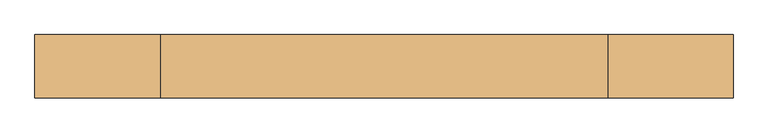
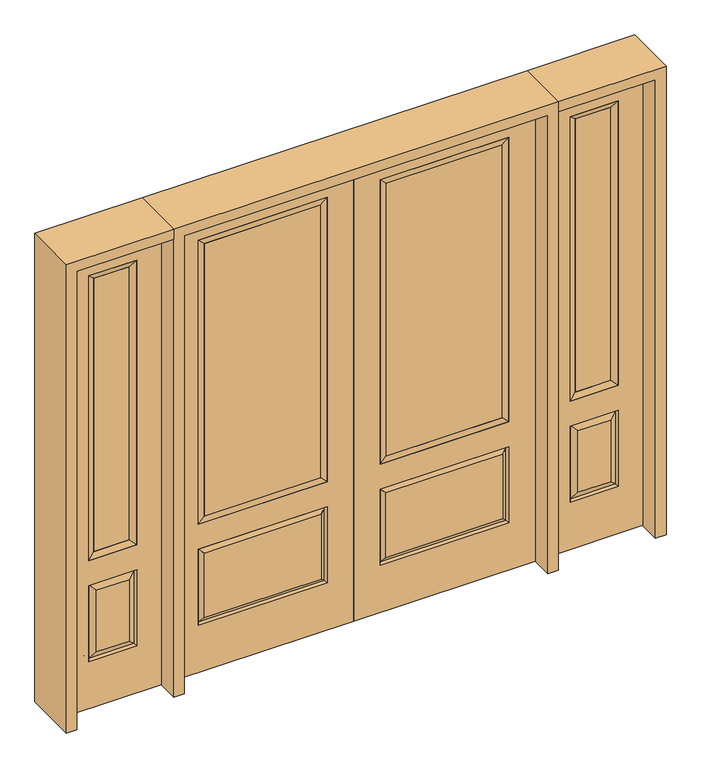
"""IFC4 building model written with IfcOpenShell, lengths in millimetres: door geometry."""

from ifc_helpers import new_model, si_unit, frame, origin, place, context, project, spatial, polyline, outline, extrude, faceted_brep, source, transform, mapped, element, save


def door_a2a04e36(model_context):
    return source(origin(), model_context, "Body", "SolidModel", [
        faceted_brep([(643.7661499, -12.7912373, 216.6588501), (626.26875, -22.225, 234.15625), (135.73125, -22.225, 234.15625), (118.2338501, -12.7912373, 216.6588501), (111.125, -22.225, 209.55), (650.875, -22.225, 209.55), (650.875, -22.225, 546.1), (643.7661499, -12.7912373, 538.9911499), (0.0, -22.225, 2032.0), (0.0, -22.225, 0.0), (762.0, -22.225, 0.0), (762.0, -22.225, 2032.0), (111.125, -22.225, 546.1), (111.125, -22.225, 1917.7), (650.875, -22.225, 1917.7), (650.875, -22.225, 657.098), (111.125, -22.225, 657.098), (626.26875, -22.225, 521.49375), (135.73125, -22.225, 521.49375), (118.2338501, -12.7912373, 538.9911499), (762.0, 22.225, 0.0), (762.0, 22.225, 2032.0), (0.0, 22.225, 0.0), (0.0, 22.225, 2032.0), (111.125, 22.225, 657.098), (111.125, 22.225, 1917.7), (650.875, 22.225, 657.098), (650.875, 22.225, 1917.7), (135.73125, 22.225, 234.15625), (135.73125, 22.225, 521.49375), (626.26875, 22.225, 521.49375), (626.26875, 22.225, 234.15625), (650.875, 22.225, 209.55), (650.875, 22.225, 546.1), (111.125, 22.225, 546.1), (111.125, 22.225, 209.55), (118.2338501, 12.7912373, 216.6588501), (643.7661499, 12.7912373, 216.6588501), (118.2338501, 12.7912373, 538.9911499), (643.7661499, 12.7912373, 538.9911499)], [[[0, 1, 2, 3]], [[3, 4, 5, 0]], [[5, 6, 7, 0]], [[8, 9, 10, 11], [4, 12, 6, 5], [13, 14, 15, 16]], [[1, 17, 18, 2]], [[3, 19, 12, 4]], [[2, 18, 19, 3]], [[0, 7, 17, 1]], [[6, 12, 19, 7]], [[7, 19, 18, 17]], [[10, 20, 21, 11]], [[9, 22, 20, 10]], [[8, 23, 22, 9]], [[16, 24, 25, 13]], [[15, 26, 24, 16]], [[14, 27, 26, 15]], [[28, 29, 30, 31]], [[23, 21, 20, 22], [25, 24, 26, 27], [32, 33, 34, 35]], [[32, 35, 36, 37]], [[35, 34, 38, 36]], [[39, 38, 34, 33]], [[37, 39, 33, 32]], [[36, 28, 31, 37]], [[31, 30, 39, 37]], [[30, 29, 38, 39]], [[36, 38, 29, 28]], [[11, 21, 23, 8]], [[13, 25, 27, 14]]]),
        faceted_brep([(650.875, -22.225, 1917.7), (650.875, -22.225, 657.098), (650.875, 22.225, 657.098), (650.875, 22.225, 1917.7), (111.125, -22.225, 657.098), (111.125, 22.225, 657.098), (136.525, 5.08, 682.498), (625.475, 5.08, 682.498), (111.125, -22.225, 1917.7), (111.125, 22.225, 1917.7), (625.475, -20.32, 682.498), (136.525, -20.32, 682.498), (625.475, -20.32, 1892.3), (136.525, -20.32, 1892.3), (625.475, 5.08, 1892.3), (136.525, 5.08, 1892.3)], [[[0, 1, 2, 3]], [[1, 4, 5, 2]], [[2, 5, 6, 7]], [[4, 8, 9, 5]], [[10, 11, 4, 1]], [[12, 10, 1, 0]], [[11, 13, 8, 4]], [[7, 6, 11, 10]], [[14, 7, 10, 12]], [[6, 15, 13, 11]], [[3, 2, 7, 14]], [[5, 9, 15, 6]], [[8, 0, 3, 9]], [[13, 12, 0, 8]], [[15, 14, 12, 13]], [[9, 3, 14, 15]]]),
        extrude(outline(polyline([(136.525, -20.32), (136.525, 5.08), (625.475, 5.08), (625.475, -20.32), (136.525, -20.32)])), frame((0.0, 0.0, 682.498), z_axis=(0.0, 0.0, 1.0), x_axis=(1.0, 0.0, 0.0)), (0.0, 0.0, 1.0), 1209.802),
        faceted_brep([(806.45, -22.225, 0.0), (1212.85, -22.225, 0.0), (1212.85, -22.225, 2032.0), (806.45, -22.225, 2032.0), (1109.98, -22.225, 1919.224), (1109.98, -22.225, 657.098), (909.32, -22.225, 657.098), (909.32, -22.225, 1919.224), (1109.98, -22.225, 209.55), (909.32, -22.225, 209.55), (909.32, -22.225, 546.1), (1109.98, -22.225, 546.1), (941.0351001, -22.225, 241.2651001), (1078.2648999, -22.225, 241.2651001), (1078.2648999, -22.225, 514.3848999), (941.0351001, -22.225, 514.3848999), (806.45, 22.225, 0.0), (806.45, 22.225, 2032.0), (1212.85, 22.225, 2032.0), (1212.85, 22.225, 0.0), (1109.98, 22.225, 1919.224), (909.32, 22.225, 1919.224), (909.32, 22.225, 657.098), (1109.98, 22.225, 657.098), (909.32, 22.225, 209.55), (1109.98, 22.225, 209.55), (1109.98, 22.225, 546.1), (909.32, 22.225, 546.1), (1078.2648999, 22.225, 241.2651001), (941.0351001, 22.225, 241.2651001), (941.0351001, 22.225, 514.3848999), (1078.2648999, 22.225, 514.3848999), (1102.8711499, 12.7912373, 216.6588501), (916.4288501, 12.7912373, 216.6588501), (916.4288501, 12.7912373, 538.9911499), (1102.8711499, 12.7912373, 538.9911499), (916.4288501, -12.7912373, 216.6588501), (1102.8711499, -12.7912373, 216.6588501), (916.4288501, -12.7912373, 538.9911499), (1102.8711499, -12.7912373, 538.9911499)], [[[0, 1, 2, 3], [4, 5, 6, 7], [8, 9, 10, 11]], [[12, 13, 14, 15]], [[16, 17, 18, 19], [20, 21, 22, 23], [24, 25, 26, 27]], [[28, 29, 30, 31]], [[1, 0, 16, 19]], [[2, 1, 19, 18]], [[3, 2, 18, 17]], [[0, 3, 17, 16]], [[5, 4, 20, 23]], [[6, 5, 23, 22]], [[7, 6, 22, 21]], [[4, 7, 21, 20]], [[32, 33, 29, 28]], [[33, 32, 25, 24]], [[29, 33, 34, 30]], [[33, 24, 27, 34]], [[30, 34, 35, 31]], [[34, 27, 26, 35]], [[32, 28, 31, 35]], [[25, 32, 35, 26]], [[12, 36, 37, 13]], [[37, 36, 9, 8]], [[36, 12, 15, 38]], [[9, 36, 38, 10]], [[38, 15, 14, 39]], [[10, 38, 39, 11]], [[13, 37, 39, 14]], [[37, 8, 11, 39]]]),
        faceted_brep([(909.32, 22.225, 1919.224), (909.32, -22.225, 1919.224), (1109.98, -22.225, 1919.224), (1109.98, 22.225, 1919.224), (934.72, 12.7, 1893.824), (1084.58, 12.7, 1893.824), (934.72, -12.7, 1893.824), (1084.58, -12.7, 1893.824), (1109.98, -22.225, 657.098), (1109.98, 22.225, 657.098), (1084.58, 12.7, 682.498), (1084.58, -12.7, 682.498), (909.32, -22.225, 657.098), (909.32, 22.225, 657.098), (934.72, 12.7, 682.498), (934.72, -12.7, 682.498)], [[[0, 1, 2, 3]], [[4, 0, 3, 5]], [[6, 4, 5, 7]], [[1, 6, 7, 2]], [[3, 2, 8, 9]], [[5, 3, 9, 10]], [[7, 5, 10, 11]], [[2, 7, 11, 8]], [[9, 8, 12, 13]], [[10, 9, 13, 14]], [[11, 10, 14, 15]], [[8, 11, 15, 12]], [[13, 12, 1, 0]], [[14, 13, 0, 4]], [[15, 14, 4, 6]], [[12, 15, 6, 1]]]),
        extrude(outline(polyline([(1084.58, -12.7), (934.72, -12.7), (934.72, 12.7), (1084.58, 12.7), (1084.58, -12.7)])), frame((0.0, 0.0, 682.498), z_axis=(0.0, 0.0, 1.0), x_axis=(1.0, 0.0, 0.0)), (0.0, 0.0, 1.0), 1211.326),
        faceted_brep([(-1212.85, -22.225, 0.0), (-806.45, -22.225, 0.0), (-806.45, -22.225, 2032.0), (-1212.85, -22.225, 2032.0), (-909.32, -22.225, 1919.224), (-909.32, -22.225, 657.098), (-1109.98, -22.225, 657.098), (-1109.98, -22.225, 1919.224), (-909.32, -22.225, 209.55), (-1109.98, -22.225, 209.55), (-1109.98, -22.225, 546.1), (-909.32, -22.225, 546.1), (-1078.2648999, -22.225, 241.2651001), (-941.0351001, -22.225, 241.2651001), (-941.0351001, -22.225, 514.3848999), (-1078.2648999, -22.225, 514.3848999), (-1212.85, 22.225, 0.0), (-1212.85, 22.225, 2032.0), (-806.45, 22.225, 2032.0), (-806.45, 22.225, 0.0), (-909.32, 22.225, 1919.224), (-1109.98, 22.225, 1919.224), (-1109.98, 22.225, 657.098), (-909.32, 22.225, 657.098), (-1109.98, 22.225, 209.55), (-909.32, 22.225, 209.55), (-909.32, 22.225, 546.1), (-1109.98, 22.225, 546.1), (-941.0351001, 22.225, 241.2651001), (-1078.2648999, 22.225, 241.2651001), (-1078.2648999, 22.225, 514.3848999), (-941.0351001, 22.225, 514.3848999), (-916.4288501, 12.7912373, 216.6588501), (-1102.8711499, 12.7912373, 216.6588501), (-1102.8711499, 12.7912373, 538.9911499), (-916.4288501, 12.7912373, 538.9911499), (-1102.8711499, -12.7912373, 216.6588501), (-916.4288501, -12.7912373, 216.6588501), (-1102.8711499, -12.7912373, 538.9911499), (-916.4288501, -12.7912373, 538.9911499)], [[[0, 1, 2, 3], [4, 5, 6, 7], [8, 9, 10, 11]], [[12, 13, 14, 15]], [[16, 17, 18, 19], [20, 21, 22, 23], [24, 25, 26, 27]], [[28, 29, 30, 31]], [[1, 0, 16, 19]], [[2, 1, 19, 18]], [[3, 2, 18, 17]], [[0, 3, 17, 16]], [[5, 4, 20, 23]], [[6, 5, 23, 22]], [[7, 6, 22, 21]], [[4, 7, 21, 20]], [[32, 33, 29, 28]], [[33, 32, 25, 24]], [[29, 33, 34, 30]], [[33, 24, 27, 34]], [[30, 34, 35, 31]], [[34, 27, 26, 35]], [[32, 28, 31, 35]], [[25, 32, 35, 26]], [[12, 36, 37, 13]], [[37, 36, 9, 8]], [[36, 12, 15, 38]], [[9, 36, 38, 10]], [[38, 15, 14, 39]], [[10, 38, 39, 11]], [[13, 37, 39, 14]], [[37, 8, 11, 39]]]),
        faceted_brep([(-1109.98, 22.225, 1919.224), (-1109.98, -22.225, 1919.224), (-909.32, -22.225, 1919.224), (-909.32, 22.225, 1919.224), (-1084.58, 12.7, 1893.824), (-934.72, 12.7, 1893.824), (-1084.58, -12.7, 1893.824), (-934.72, -12.7, 1893.824), (-909.32, -22.225, 657.098), (-909.32, 22.225, 657.098), (-934.72, 12.7, 682.498), (-934.72, -12.7, 682.498), (-1109.98, -22.225, 657.098), (-1109.98, 22.225, 657.098), (-1084.58, 12.7, 682.498), (-1084.58, -12.7, 682.498)], [[[0, 1, 2, 3]], [[4, 0, 3, 5]], [[6, 4, 5, 7]], [[1, 6, 7, 2]], [[3, 2, 8, 9]], [[5, 3, 9, 10]], [[7, 5, 10, 11]], [[2, 7, 11, 8]], [[9, 8, 12, 13]], [[10, 9, 13, 14]], [[11, 10, 14, 15]], [[8, 11, 15, 12]], [[13, 12, 1, 0]], [[14, 13, 0, 4]], [[15, 14, 4, 6]], [[12, 15, 6, 1]]]),
        extrude(outline(polyline([(-934.72, -12.7), (-1084.58, -12.7), (-1084.58, 12.7), (-934.72, 12.7), (-934.72, -12.7)])), frame((0.0, 0.0, 682.498), z_axis=(0.0, 0.0, 1.0), x_axis=(1.0, 0.0, 0.0)), (0.0, 0.0, 1.0), 1211.326),
        faceted_brep([(-643.7661499, -12.7912373, 216.6588501), (-118.2338501, -12.7912373, 216.6588501), (-135.73125, -22.225, 234.15625), (-626.26875, -22.225, 234.15625), (-650.875, -22.225, 209.55), (-111.125, -22.225, 209.55), (-643.7661499, -12.7912373, 538.9911499), (-650.875, -22.225, 546.1), (-135.73125, -22.225, 521.49375), (-626.26875, -22.225, 521.49375), (0.0, -22.225, 2032.0), (-762.0, -22.225, 2032.0), (-762.0, -22.225, 0.0), (0.0, -22.225, 0.0), (-111.125, -22.225, 546.1), (-111.125, -22.225, 1917.7), (-111.125, -22.225, 657.098), (-650.875, -22.225, 657.098), (-650.875, -22.225, 1917.7), (-118.2338501, -12.7912373, 538.9911499), (-762.0, 22.225, 2032.0), (-762.0, 22.225, 0.0), (0.0, 22.225, 0.0), (0.0, 22.225, 2032.0), (-111.125, 22.225, 1917.7), (-111.125, 22.225, 657.098), (-650.875, 22.225, 657.098), (-650.875, 22.225, 1917.7), (-650.875, 22.225, 209.55), (-111.125, 22.225, 209.55), (-111.125, 22.225, 546.1), (-650.875, 22.225, 546.1), (-135.73125, 22.225, 234.15625), (-626.26875, 22.225, 234.15625), (-626.26875, 22.225, 521.49375), (-135.73125, 22.225, 521.49375), (-643.7661499, 12.7912373, 216.6588501), (-118.2338501, 12.7912373, 216.6588501), (-118.2338501, 12.7912373, 538.9911499), (-643.7661499, 12.7912373, 538.9911499)], [[[0, 1, 2, 3]], [[1, 0, 4, 5]], [[4, 0, 6, 7]], [[3, 2, 8, 9]], [[10, 11, 12, 13], [5, 4, 7, 14], [15, 16, 17, 18]], [[1, 5, 14, 19]], [[2, 1, 19, 8]], [[0, 3, 9, 6]], [[7, 6, 19, 14]], [[6, 9, 8, 19]], [[12, 11, 20, 21]], [[13, 12, 21, 22]], [[10, 13, 22, 23]], [[16, 15, 24, 25]], [[17, 16, 25, 26]], [[18, 17, 26, 27]], [[23, 22, 21, 20], [28, 29, 30, 31], [24, 27, 26, 25]], [[32, 33, 34, 35]], [[28, 36, 37, 29]], [[29, 37, 38, 30]], [[39, 31, 30, 38]], [[36, 28, 31, 39]], [[37, 36, 33, 32]], [[33, 36, 39, 34]], [[34, 39, 38, 35]], [[37, 32, 35, 38]], [[11, 10, 23, 20]], [[15, 18, 27, 24]]]),
        faceted_brep([(-650.875, -22.225, 1917.7), (-650.875, 22.225, 1917.7), (-650.875, 22.225, 657.098), (-650.875, -22.225, 657.098), (-111.125, 22.225, 657.098), (-111.125, -22.225, 657.098), (-625.475, 5.08, 682.498), (-136.525, 5.08, 682.498), (-111.125, 22.225, 1917.7), (-111.125, -22.225, 1917.7), (-625.475, -20.32, 682.498), (-136.525, -20.32, 682.498), (-625.475, -20.32, 1892.3), (-136.525, -20.32, 1892.3), (-625.475, 5.08, 1892.3), (-136.525, 5.08, 1892.3)], [[[0, 1, 2, 3]], [[3, 2, 4, 5]], [[2, 6, 7, 4]], [[5, 4, 8, 9]], [[10, 3, 5, 11]], [[12, 0, 3, 10]], [[11, 5, 9, 13]], [[6, 10, 11, 7]], [[14, 12, 10, 6]], [[7, 11, 13, 15]], [[1, 14, 6, 2]], [[4, 7, 15, 8]], [[9, 8, 1, 0]], [[13, 9, 0, 12]], [[15, 13, 12, 14]], [[8, 15, 14, 1]]]),
        extrude(outline(polyline([(-136.525, -20.32), (-625.475, -20.32), (-625.475, 5.08), (-136.525, 5.08), (-136.525, -20.32)])), frame((0.0, 0.0, 682.498), z_axis=(0.0, 0.0, 1.0), x_axis=(1.0, 0.0, 0.0)), (0.0, 0.0, 1.0), 1209.802),
        extrude(outline(polyline([(2032.0, -806.45), (2076.45, -806.45), (2076.45, -1257.3), (0.0, -1257.3), (0.0, -1212.85), (2032.0, -1212.85), (2032.0, -806.45)])), frame((0.0, -114.3, 0.0), z_axis=(0.0, 1.0, 0.0), x_axis=(0.0, 0.0, 1.0)), (0.0, 0.0, 1.0), 228.6),
        extrude(outline(polyline([(2076.45, -806.45), (0.0, -806.45), (0.0, -762.0), (2032.0, -762.0), (2032.0, 762.0), (0.0, 762.0), (0.0, 806.45), (2076.45, 806.45), (2076.45, -806.45)])), frame((0.0, -114.3, 0.0), z_axis=(0.0, 1.0, 0.0), x_axis=(0.0, 0.0, 1.0)), (0.0, 0.0, 1.0), 228.6),
        extrude(outline(polyline([(0.0, 1212.85), (0.0, 1257.3), (2076.45, 1257.3), (2076.45, 806.45), (2032.0, 806.45), (2032.0, 1212.85), (0.0, 1212.85)])), frame((0.0, -114.3, 0.0), z_axis=(0.0, 1.0, 0.0), x_axis=(0.0, 0.0, 1.0)), (0.0, 0.0, 1.0), 228.6),
    ])


if __name__ == "__main__":
    model = new_model("IFC4")
    model_context = context("Model", 3, world=origin())
    ifc_project = project(units=[si_unit("LENGTHUNIT", "METRE", prefix="MILLI")], contexts=[model_context])
    site = spatial("IfcSite", under=ifc_project)
    building = spatial("IfcBuilding", under=site)
    placement = place(None, origin())
    door_shape = door_a2a04e36(model_context)
    element("IfcDoor", 1, at=placement, inside=building, context=model_context, shape_type="MappedRepresentation", body=[
        mapped(door_shape, transform((0.0, 0.0, 0.0), x_axis=(1.0, 0.0, 0.0), y_axis=(0.0, 1.0, 0.0), z_axis=(0.0, 0.0, 1.0))),
    ])
    save(model, "model.ifc")
